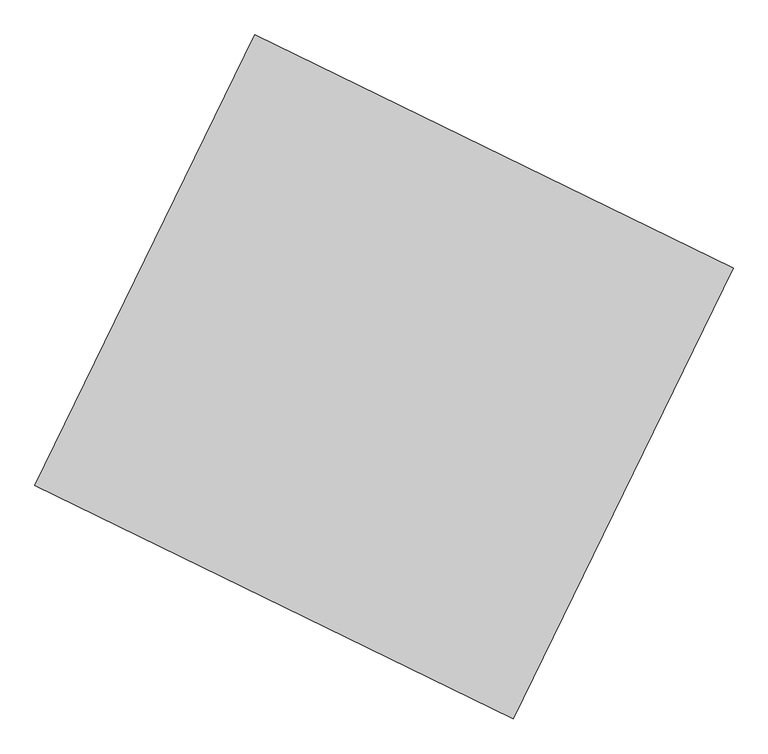
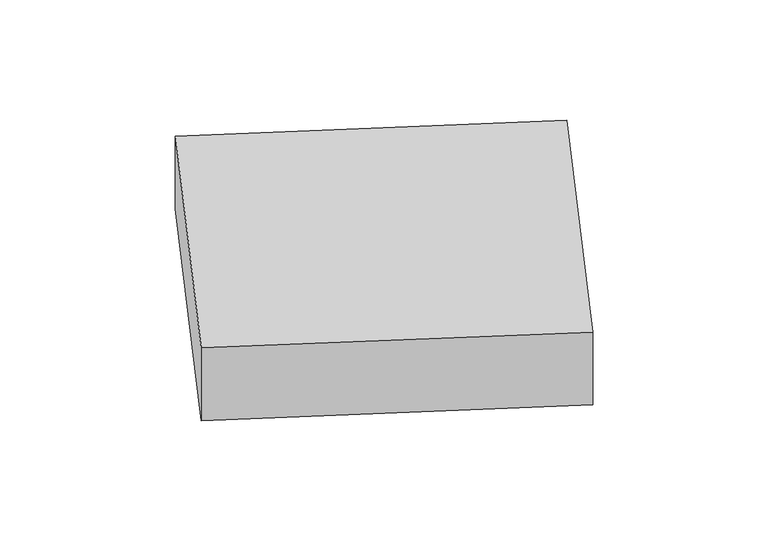
"""IFC4 building model written with IfcOpenShell, lengths in millimetres: proxy geometry."""

from ifc_helpers import new_model, si_unit, frame, origin, place, context, project, spatial, polyline, outline, extrude, source, transform, mapped, element, save


def generic_models_c057d5b8(model_context):
    return source(origin(), model_context, "Body", "SweptSolid", [
        extrude(outline(polyline([(11730.9471277, -1973.4201926), (12186.8531203, -1038.6743844), (13178.1187322, -1522.1469273), (12722.2127396, -2456.8927354), (11730.9471277, -1973.4201926)])), frame((0.0, 0.0, 2780.6896552), z_axis=(0.0, 0.0, 1.0), x_axis=(1.0, 0.0, 0.0)), (0.0, 0.0, 1.0), 250.0),
    ])


if __name__ == "__main__":
    model = new_model("IFC4")
    model_context = context("Model", 3, world=origin())
    ifc_project = project(units=[si_unit("LENGTHUNIT", "METRE", prefix="MILLI")], contexts=[model_context])
    site = spatial("IfcSite", under=ifc_project)
    building = spatial("IfcBuilding", under=site)
    placement = place(None, origin())
    generic_models_shape = generic_models_c057d5b8(model_context)
    element("IfcBuildingElementProxy", 1, Name="Generic Models", at=placement, inside=building, context=model_context, shape_type="MappedRepresentation", body=[
        mapped(generic_models_shape, transform((0.0, 0.0, 0.0), x_axis=(1.0, 0.0, 0.0), y_axis=(0.0, 1.0, 0.0), z_axis=(0.0, 0.0, 1.0))),
    ])
    save(model, "model.ifc")
